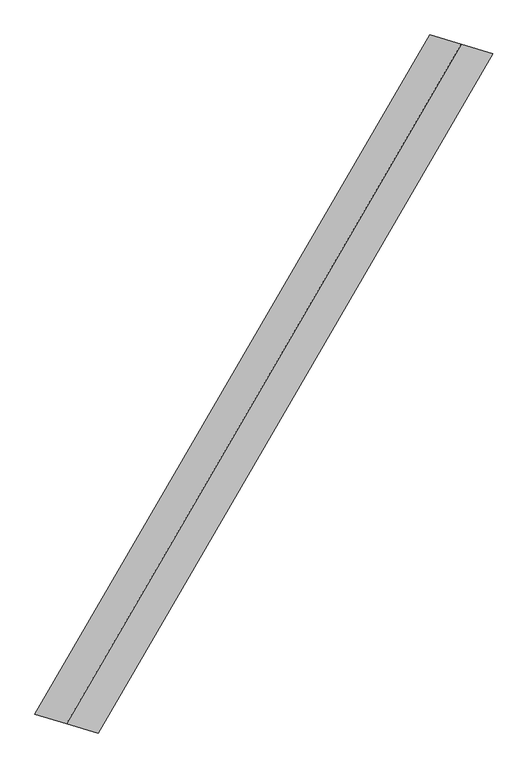
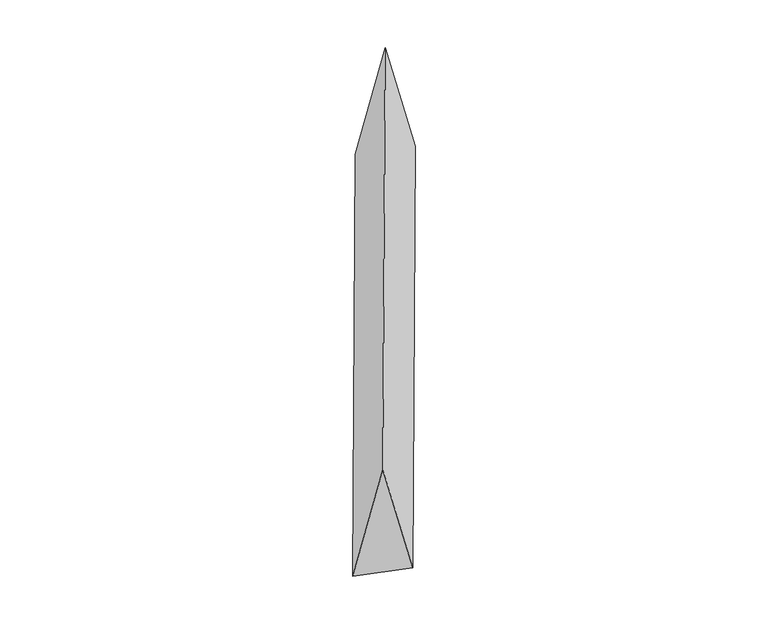
"""IFC4 building model written with IfcOpenShell, lengths in millimetres: proxy geometry."""

from ifc_helpers import new_model, si_unit, origin, place, context, project, spatial, faceted_brep, source, transform, mapped, element, save


def generic_models_1d9ef304(model_context):
    return source(origin(), model_context, "Body", "Brep", [
        faceted_brep([(-1034.9061476, -1779.788457, 700.0), (-869.2490877, -1828.7011265, 0.0), (1200.5632075, 1730.8757875, 0.0), (1034.9061476, 1779.788457, 700.0), (-1200.5632075, -1730.8757875, 0.0), (869.2490877, 1828.7011265, 0.0)], [[[0, 1, 2, 3]], [[1, 4, 5, 2]], [[4, 0, 3, 5]], [[3, 2, 5]], [[0, 4, 1]]]),
    ])


if __name__ == "__main__":
    model = new_model("IFC4")
    model_context = context("Model", 3, world=origin())
    ifc_project = project(units=[si_unit("LENGTHUNIT", "METRE", prefix="MILLI")], contexts=[model_context])
    site = spatial("IfcSite", under=ifc_project)
    building = spatial("IfcBuilding", under=site)
    placement = place(None, origin())
    generic_models_shape = generic_models_1d9ef304(model_context)
    element("IfcBuildingElementProxy", 1, Name="Generic Models", at=placement, inside=building, context=model_context, shape_type="MappedRepresentation", body=[
        mapped(generic_models_shape, transform((0.0, 0.0, 0.0), x_axis=(1.0, 0.0, 0.0), y_axis=(0.0, 1.0, 0.0), z_axis=(0.0, 0.0, 1.0))),
    ])
    save(model, "model.ifc")
